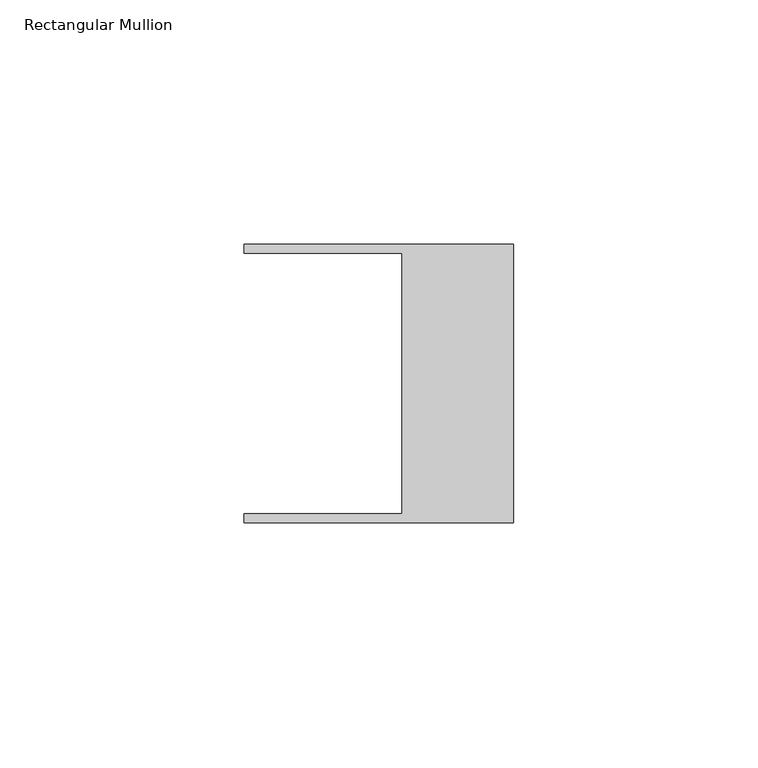
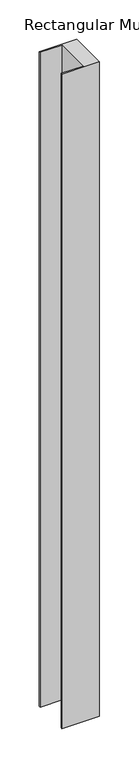
"""IFC4 building model written with IfcOpenShell, lengths in millimetres: member geometry, Rectangular Mullion."""

import ifcopenshell
import ifcopenshell.guid

model = None  # the IFC model being written
_history = None  # IfcOwnerHistory: only IFC2X3 demands one
_inside = {}  # id of a spatial element -> (the spatial element, [elements in it])
_under = {}  # id of a project, library or spatial element -> (it, [spatial elements below it])
_declared = {}  # id of a project -> (the project, [libraries it declares])
_typed = {}  # id of a type object -> (the type object, [elements of that type])
_made_of = {}  # id of a material, layer set ... -> (it, [elements and type objects made of it])


def new_model(schema):
    """Start an empty IFC model of exactly this schema.

    Asked for "IFC4X3", IfcOpenShell would pick the latest addendum, in which some entities
    have other attributes; the version numbers below select the first issue.
    IFC2X3 requires an IfcOwnerHistory on every rooted entity: one is made here for all.
    """
    global model, _history
    if schema == "IFC4X3":
        model = ifcopenshell.file(schema_version=(4, 3, 0, 0))
    else:
        model = ifcopenshell.file(schema=schema)
    _inside.clear()
    _under.clear()
    _declared.clear()
    _typed.clear()
    _made_of.clear()
    _history = None
    if model.schema == "IFC2X3":
        org = make("IfcOrganization", Name="unknown")
        user = make(
            "IfcPersonAndOrganization",
            ThePerson=make("IfcPerson", FamilyName="unknown"),
            TheOrganization=org,
        )
        app = make(
            "IfcApplication",
            ApplicationDeveloper=org,
            Version="unknown",
            ApplicationFullName="unknown",
            ApplicationIdentifier="unknown",
        )
        _history = make(
            "IfcOwnerHistory",
            OwningUser=user,
            OwningApplication=app,
            ChangeAction="ADDED",
            CreationDate=0,
        )
    return model


def make(cls, **values):
    """One entity of the class cls with the attributes given. An attribute that is None is left unset."""
    return model.create_entity(
        cls, **{name: value for name, value in values.items() if value is not None}
    )


def rooted(cls, **values):
    """An entity with a GlobalId (a new one), such as an element, a storey or a relation."""
    return make(cls, GlobalId=ifcopenshell.guid.new(), OwnerHistory=_history, **values)


def si_unit(unit_type, name, prefix=None):
    """IfcSIUnit, for example si_unit("LENGTHUNIT", "METRE", prefix="MILLI")."""
    return make("IfcSIUnit", UnitType=unit_type, Prefix=prefix, Name=name)


def assignment(units):
    """IfcUnitAssignment: the units of a project."""
    return None if units is None else make("IfcUnitAssignment", Units=units)


def point(xyz):
    """IfcCartesianPoint."""
    return None if xyz is None else make("IfcCartesianPoint", Coordinates=xyz)


def direction(xyz):
    """IfcDirection."""
    return None if xyz is None else make("IfcDirection", DirectionRatios=xyz)


def frame(location, z_axis=None, x_axis=None):
    """IfcAxis2Placement3D, a coordinate frame: its origin and axes. An axis left out is left unset."""
    return make(
        "IfcAxis2Placement3D",
        Location=point(location),
        Axis=direction(z_axis),
        RefDirection=direction(x_axis),
    )


def origin():
    """The frame at (0, 0, 0) with its axes left unset."""
    return frame((0.0, 0.0, 0.0))


def place(relative_to, where):
    """IfcLocalPlacement: puts the frame where relative to a parent placement (None: the world)."""
    return make(
        "IfcLocalPlacement", PlacementRelTo=relative_to, RelativePlacement=where
    )


def context(
    kind, dimensions, precision=None, world=None, true_north=None, identifier=None
):
    """IfcGeometricRepresentationContext, for example the 3D "Model" context."""
    return make(
        "IfcGeometricRepresentationContext",
        ContextIdentifier=identifier,
        ContextType=kind,
        CoordinateSpaceDimension=dimensions,
        Precision=precision,
        WorldCoordinateSystem=world,
        TrueNorth=true_north,
    )


def project(units=None, contexts=None):
    """IfcProject with its units and contexts."""
    return rooted(
        "IfcProject",
        Name="project",
        RepresentationContexts=contexts,
        UnitsInContext=assignment(units),
    )


def spatial(cls, under=None, at=None, **own):
    """A site, building, storey or space (cls), placed at a placement, below another one or the project."""
    s = rooted(cls, ObjectPlacement=at, **own)
    if under is not None:
        _under.setdefault(under.id(), (under, []))[1].append(s)
    return s


def faces_of(points, faces, orient=None, outer=None):
    """IfcFace entities. A face is a list of loops; a loop is a list of indices into points, from 0.

    orient and outer hold one flag for each loop. By default every Orientation is true, the
    first loop of a face is its IfcFaceOuterBound and the others are IfcFaceBound.
    """
    made = []
    for i, loops in enumerate(faces):
        bounds = []
        for j, loop in enumerate(loops):
            is_outer = j == 0 if outer is None else outer[i][j]
            bounds.append(
                make(
                    "IfcFaceOuterBound" if is_outer else "IfcFaceBound",
                    Bound=make("IfcPolyLoop", Polygon=[points[k] for k in loop]),
                    Orientation=True if orient is None else orient[i][j],
                )
            )
        made.append(make("IfcFace", Bounds=bounds))
    return made


def faceted_brep(points, faces, orient=None, outer=None, voids=None):
    """IfcFacetedBrep: a solid bounded by flat faces; with voids (closed shells), ...WithVoids."""
    shared = [point(p) for p in points]
    hull = make("IfcClosedShell", CfsFaces=faces_of(shared, faces, orient, outer))
    if voids is None:
        return make("IfcFacetedBrep", Outer=hull)
    return make(
        "IfcFacetedBrepWithVoids",
        Outer=hull,
        Voids=[
            make(cls, CfsFaces=faces_of(shared, fs, o, b)) for cls, fs, o, b in voids
        ],
    )


def shape(context_of_items, identifier, shape_type, items):
    """IfcShapeRepresentation: the items that make up one representation, for example the "Body"."""
    return make(
        "IfcShapeRepresentation",
        ContextOfItems=context_of_items,
        RepresentationIdentifier=identifier,
        RepresentationType=shape_type,
        Items=items,
    )


def source(mapping_origin, context_of_items, identifier, shape_type, items):
    """IfcRepresentationMap: a shape defined once, which mapped items show again and again."""
    return make(
        "IfcRepresentationMap",
        MappingOrigin=mapping_origin,
        MappedRepresentation=shape(context_of_items, identifier, shape_type, items),
    )


def transform(
    local_origin,
    x_axis=None,
    y_axis=None,
    z_axis=None,
    scale=None,
    scale2=None,
    scale3=None,
    uniform=True,
):
    """IfcCartesianTransformationOperator3D, or its non-uniform kind. x_axis, y_axis, z_axis: its Axis1, 2, 3."""
    if uniform:
        return make(
            "IfcCartesianTransformationOperator3D",
            Axis1=direction(x_axis),
            Axis2=direction(y_axis),
            LocalOrigin=point(local_origin),
            Scale=scale,
            Axis3=direction(z_axis),
        )
    return make(
        "IfcCartesianTransformationOperator3DnonUniform",
        Axis1=direction(x_axis),
        Axis2=direction(y_axis),
        LocalOrigin=point(local_origin),
        Scale=scale,
        Axis3=direction(z_axis),
        Scale2=scale2,
        Scale3=scale3,
    )


def mapped(mapping_source, mapping_target):
    """IfcMappedItem: shows the shape of a source again, moved by a transform."""
    return make(
        "IfcMappedItem", MappingSource=mapping_source, MappingTarget=mapping_target
    )


def made_of(thing, what):
    """Note that an element or type object is made of a material, layer set ...; save() writes the relation."""
    if what is not None:
        _made_of.setdefault(what.id(), (what, []))[1].append(thing)
    return thing


def element(
    cls,
    number,
    at=None,
    inside=None,
    cuts=None,
    type_object=None,
    material=None,
    context=None,
    identifier="Body",
    shape_type=None,
    held_by="IfcProductDefinitionShape",
    body=None,
    shapes=None,
    **own,
):
    """One element of the class cls, such as IfcWall. Its Tag is "e" and its number.

    at: its placement. inside: the storey or other place that contains it. cuts: it is an
    opening in that element (IfcRelVoidsElement). A single representation is given by context,
    identifier, shape_type and body (its items); several are given by shapes. held_by: the class
    of the entity that holds the representations. save() writes the other relations.
    """
    e = rooted(cls, Tag="e%d" % number, ObjectPlacement=at, **own)
    if body is not None:
        shapes = [shape(context, identifier, shape_type, body)]
    if shapes is not None:
        e.Representation = make(held_by, Representations=shapes)
    if inside is not None:
        _inside.setdefault(inside.id(), (inside, []))[1].append(e)
    if cuts is not None:
        rooted(
            "IfcRelVoidsElement", RelatingBuildingElement=cuts, RelatedOpeningElement=e
        )
    if type_object is not None:
        _typed.setdefault(type_object.id(), (type_object, []))[1].append(e)
    return made_of(e, material)


def aggregate(whole, parts):
    """IfcRelAggregates: a whole, such as a stair, and the parts it consists of."""
    return rooted("IfcRelAggregates", RelatingObject=whole, RelatedObjects=parts)


def save(model, path):
    """Write the relations noted so far, then the file.

    IfcRelAggregates (storeys below a building ...), IfcRelContainedInSpatialStructure (elements
    in a storey), IfcRelDefinesByType, IfcRelAssociatesMaterial and IfcRelDeclares: one each for
    every whole, place, type object, material and project.
    """
    for whole, parts in _under.values():
        aggregate(whole, parts)
    for where, things in _inside.values():
        rooted(
            "IfcRelContainedInSpatialStructure",
            RelatedElements=things,
            RelatingStructure=where,
        )
    for kind, things in _typed.values():
        rooted("IfcRelDefinesByType", RelatedObjects=things, RelatingType=kind)
    for what, things in _made_of.values():
        rooted("IfcRelAssociatesMaterial", RelatedObjects=things, RelatingMaterial=what)
    for by, libraries in _declared.values():
        rooted("IfcRelDeclares", RelatingContext=by, RelatedDefinitions=libraries)
    model.write(path)


def rectangular_mullion_bc6e5d77(model_context):
    return source(origin(), model_context, "Body", "Brep", [
        faceted_brep([(-55.118, 26.67, -1015.4356434), (-55.118, 28.448, -1015.4356434), (0.0, 28.448, -1015.4356434), (0.0, -28.448, -1015.4356434), (-55.118, -28.448, -1015.4356434), (-55.118, -26.67, -1015.4356434), (-22.86, -26.67, -1015.4356434), (-22.86, 26.67, -1015.4356434), (-22.86, 26.67, 0.0084371), (-55.118, 26.67, 0.0084371), (-22.86, -26.67, -0.0084371), (-55.118, -26.67, -0.0084371), (-55.118, -28.448, -0.0089996), (0.0, -28.448, -0.0089996), (0.0, 28.448, 0.0089996), (-55.118, 28.448, 0.0089996)], [[[0, 1, 2, 3, 4, 5, 6, 7]], [[8, 9, 0, 7]], [[10, 8, 7, 6]], [[11, 10, 6, 5]], [[12, 11, 5, 4]], [[13, 12, 4, 3]], [[14, 13, 3, 2]], [[15, 14, 2, 1]], [[9, 15, 1, 0]], [[9, 8, 10, 11, 12, 13, 14, 15]]]),
    ])


if __name__ == "__main__":
    model = new_model("IFC4")
    model_context = context("Model", 3, world=origin())
    ifc_project = project(units=[si_unit("LENGTHUNIT", "METRE", prefix="MILLI")], contexts=[model_context])
    site = spatial("IfcSite", under=ifc_project)
    building = spatial("IfcBuilding", under=site)
    placement = place(None, origin())
    rectangular_mullion_shape = rectangular_mullion_bc6e5d77(model_context)
    element("IfcMember", 1, ObjectType="Rectangular Mullion", at=placement, inside=building, context=model_context, shape_type="MappedRepresentation", body=[
        mapped(rectangular_mullion_shape, transform((0.0, 0.0, 0.0), x_axis=(1.0, 0.0, 0.0), y_axis=(0.0, 1.0, 0.0), z_axis=(0.0, 0.0, 1.0))),
    ])
    save(model, "model.ifc")
